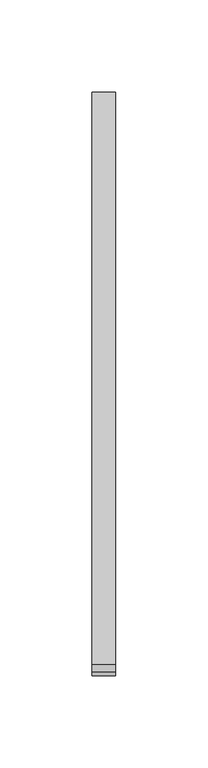
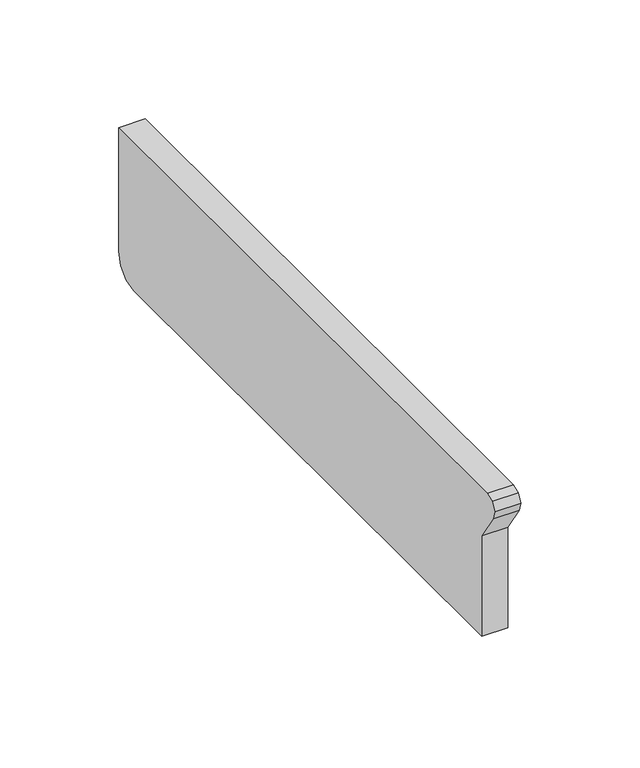
"""IFC4 building model written with IfcOpenShell, lengths in millimetres: furniture geometry."""

from ifc_helpers import new_model, si_unit, frame, origin, place, context, project, spatial, polyline, outline, extrude, source, transform, mapped, element, save


def furniture_9495301b(model_context):
    return source(origin(), model_context, "Body", "SweptSolid", [
        extrude(outline(polyline([(-34.4332919, 929.5093487), (-326.8573867, 929.5093487), (-326.8573867, 981.0534863), (-336.5789227, 995.681418), (-337.6843422, 1000.06082), (-335.59875, 1004.0672342), (-331.377278, 1005.6736224), (-21.75256, 1005.6736224), (-21.75256, 942.1374303), (-23.4347672, 935.8593427), (-28.0832818, 931.2108281), (-34.4332919, 929.5093487)])), frame((12.3877049, 0.0, 0.0), z_axis=(1.0, 0.0, 0.0), x_axis=(0.0, 1.0, 0.0)), (0.0, 0.0, 1.0), 12.7),
    ])


if __name__ == "__main__":
    model = new_model("IFC4")
    model_context = context("Model", 3, world=origin())
    ifc_project = project(units=[si_unit("LENGTHUNIT", "METRE", prefix="MILLI")], contexts=[model_context])
    site = spatial("IfcSite", under=ifc_project)
    building = spatial("IfcBuilding", under=site)
    placement = place(None, origin())
    furniture_shape = furniture_9495301b(model_context)
    element("IfcFurniture", 1, at=placement, inside=building, context=model_context, shape_type="MappedRepresentation", body=[
        mapped(furniture_shape, transform((0.0, 0.0, 0.0), x_axis=(1.0, 0.0, 0.0), y_axis=(0.0, 1.0, 0.0), z_axis=(0.0, 0.0, 1.0))),
    ])
    save(model, "model.ifc")
